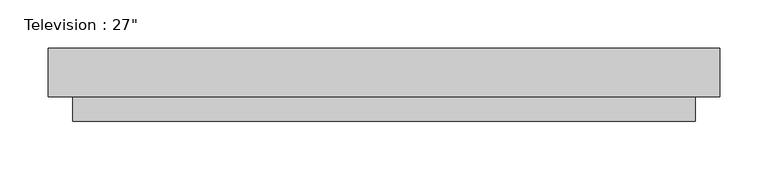
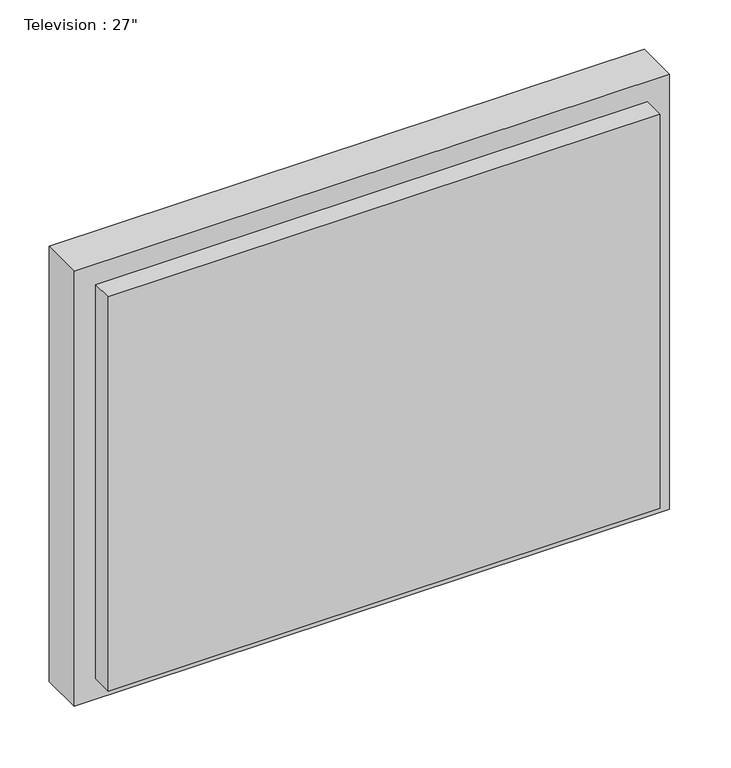
"""IFC4 building model written with IfcOpenShell, lengths in millimetres: proxy geometry."""

from ifc_helpers import new_model, si_unit, frame, origin, place, context, project, spatial, polyline, outline, extrude, source, transform, mapped, element, save


def proxy_e09f5b57(model_context):
    return source(origin(), model_context, "Body", "SweptSolid", [
        extrude(outline(polyline([(673.1, 0.0), (673.1, -25.4), (25.4, -25.4), (25.4, 0.0), (673.1, 0.0)])), frame((0.0, 0.0, 25.4), z_axis=(0.0, 0.0, 1.0), x_axis=(1.0, 0.0, 0.0)), (0.0, 0.0, 1.0), 488.95),
        extrude(outline(polyline([(673.1, 38.1), (673.1, 12.7), (25.4, 12.7), (25.4, 38.1), (673.1, 38.1)])), frame((0.0, 0.0, 25.4), z_axis=(0.0, 0.0, 1.0), x_axis=(1.0, 0.0, 0.0)), (0.0, 0.0, 1.0), 488.95),
        extrude(outline(polyline([(539.75, 0.0), (0.0, 0.0), (0.0, 698.5), (539.75, 698.5), (539.75, 0.0)]), holes=[polyline([(25.4, 673.1), (25.4, 25.4), (514.35, 25.4), (514.35, 673.1), (25.4, 673.1)])]), frame((0.0, 0.0, 0.0), z_axis=(0.0, 1.0, 0.0), x_axis=(0.0, 0.0, 1.0)), (0.0, 0.0, 1.0), 50.8),
    ])


if __name__ == "__main__":
    model = new_model("IFC4")
    model_context = context("Model", 3, world=origin())
    ifc_project = project(units=[si_unit("LENGTHUNIT", "METRE", prefix="MILLI")], contexts=[model_context])
    site = spatial("IfcSite", under=ifc_project)
    building = spatial("IfcBuilding", under=site)
    placement = place(None, origin())
    proxy_shape = proxy_e09f5b57(model_context)
    element("IfcBuildingElementProxy", 1, Name="Television : 27\"", ObjectType="Television : 27\"", at=placement, inside=building, context=model_context, shape_type="MappedRepresentation", body=[
        mapped(proxy_shape, transform((0.0, 0.0, 0.0), x_axis=(1.0, 0.0, 0.0), y_axis=(0.0, 1.0, 0.0), z_axis=(0.0, 0.0, 1.0))),
    ])
    save(model, "model.ifc")
